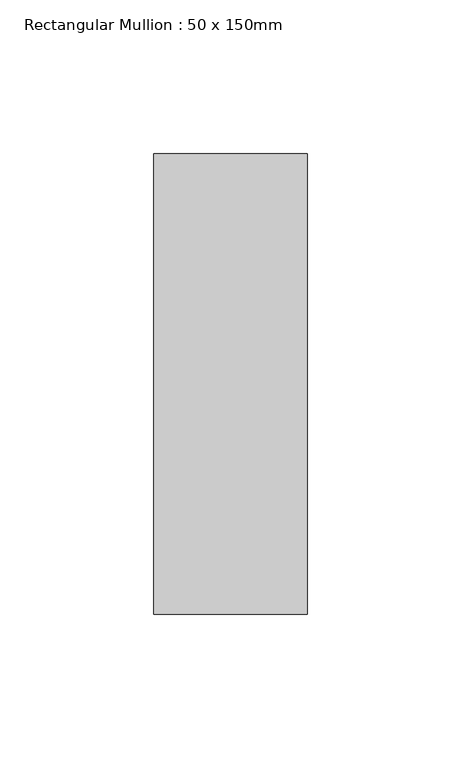
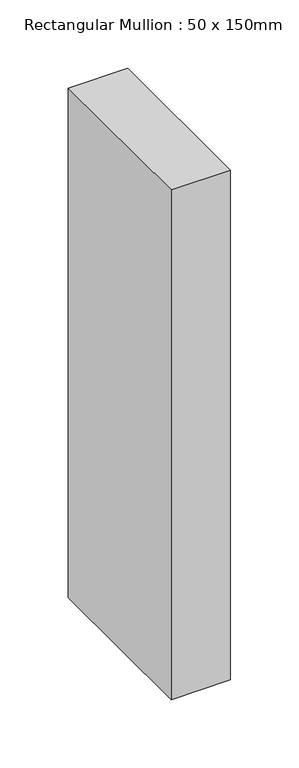
"""IFC4 building model written with IfcOpenShell, lengths in millimetres: member geometry, Rectangular Mullion : 50 x 150mm."""

from ifc_helpers import new_model, si_unit, frame, origin, place, context, project, spatial, polyline, outline, extrude, source, transform, mapped, element, save


def rectangular_mullion_50_x_150mm_293db8a4(model_context):
    return source(origin(), model_context, "Body", "SweptSolid", [
        extrude(outline(polyline([(25.0, 75.0), (25.0, -75.0), (-25.0, -75.0), (-25.0, 75.0), (25.0, 75.0)])), frame((0.0, 0.0, -454.6937579), z_axis=(0.0, 0.0, 1.0), x_axis=(1.0, 0.0, 0.0)), (0.0, 0.0, 1.0), 454.6937579),
    ])


if __name__ == "__main__":
    model = new_model("IFC4")
    model_context = context("Model", 3, world=origin())
    ifc_project = project(units=[si_unit("LENGTHUNIT", "METRE", prefix="MILLI")], contexts=[model_context])
    site = spatial("IfcSite", under=ifc_project)
    building = spatial("IfcBuilding", under=site)
    placement = place(None, origin())
    rectangular_mullion_50_x_150mm_shape = rectangular_mullion_50_x_150mm_293db8a4(model_context)
    element("IfcMember", 1, ObjectType="Rectangular Mullion : 50 x 150mm", at=placement, inside=building, context=model_context, shape_type="MappedRepresentation", body=[
        mapped(rectangular_mullion_50_x_150mm_shape, transform((0.0, 0.0, 0.0), x_axis=(1.0, 0.0, 0.0), y_axis=(0.0, 1.0, 0.0), z_axis=(0.0, 0.0, 1.0))),
    ])
    save(model, "model.ifc")
